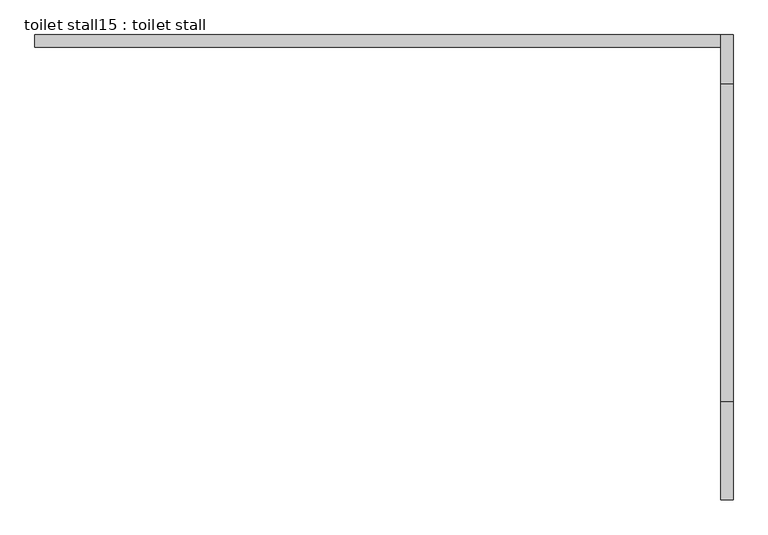
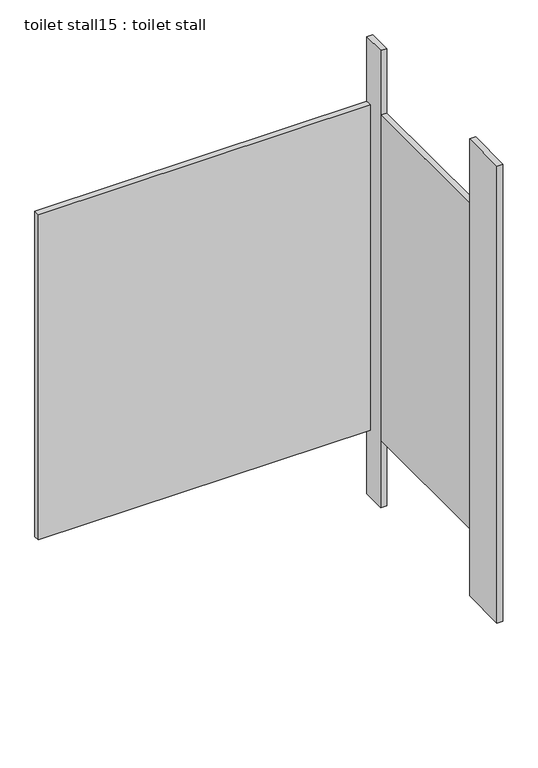
"""IFC4 building model written with IfcOpenShell, lengths in millimetres: proxy geometry, toilet stall15 : toilet stall."""

from ifc_helpers import new_model, si_unit, frame, origin, origin_with_axes, place, context, project, spatial, polyline, outline, extrude, source, transform, mapped, element, save


def toilet_stall15_toilet_stall_11a38ed4(model_context):
    return source(origin(), model_context, "Body", "SweptSolid", [
        extrude(outline(polyline([(461255.8504676, -332102.6330223), (461281.2504676, -332102.6330223), (461281.2504676, -332305.8330223), (461255.8504676, -332305.8330223), (461255.8504676, -332102.6330223)])), origin_with_axes(), (0.0, 0.0, 1.0), 2070.1),
        extrude(outline(polyline([(461255.8504676, -331340.6330223), (461281.2504676, -331340.6330223), (461281.2504676, -331442.2330223), (461255.8504676, -331442.2330223), (461255.8504676, -331340.6330223)])), origin_with_axes(), (0.0, 0.0, 1.0), 2070.1),
        extrude(outline(polyline([(461255.8504676, -331340.6330223), (461255.8504676, -331366.0330223), (459833.4504676, -331366.0330223), (459833.4504676, -331340.6330223), (461255.8504676, -331340.6330223)])), frame((0.0, 0.0, 304.8), z_axis=(0.0, 0.0, 1.0), x_axis=(1.0, 0.0, 0.0)), (0.0, 0.0, 1.0), 1473.2),
        extrude(outline(polyline([(461255.8504676, -331442.2330223), (461281.2504676, -331442.2330223), (461281.2504676, -332102.6330223), (461255.8504676, -332102.6330223), (461255.8504676, -331442.2330223)])), frame((0.0, 0.0, 304.8), z_axis=(0.0, 0.0, 1.0), x_axis=(1.0, 0.0, 0.0)), (0.0, 0.0, 1.0), 1473.2),
    ])


if __name__ == "__main__":
    model = new_model("IFC4")
    model_context = context("Model", 3, world=origin())
    ifc_project = project(units=[si_unit("LENGTHUNIT", "METRE", prefix="MILLI")], contexts=[model_context])
    site = spatial("IfcSite", under=ifc_project)
    building = spatial("IfcBuilding", under=site)
    placement = place(None, origin())
    toilet_stall15_toilet_stall_shape = toilet_stall15_toilet_stall_11a38ed4(model_context)
    element("IfcBuildingElementProxy", 1, Name="toilet stall15 : toilet stall", ObjectType="toilet stall15 : toilet stall", at=placement, inside=building, context=model_context, shape_type="MappedRepresentation", body=[
        mapped(toilet_stall15_toilet_stall_shape, transform((0.0, 0.0, 0.0), x_axis=(1.0, 0.0, 0.0), y_axis=(0.0, 1.0, 0.0), z_axis=(0.0, 0.0, 1.0))),
    ])
    save(model, "model.ifc")
